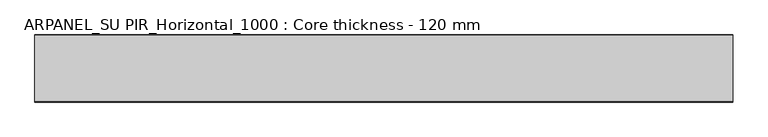
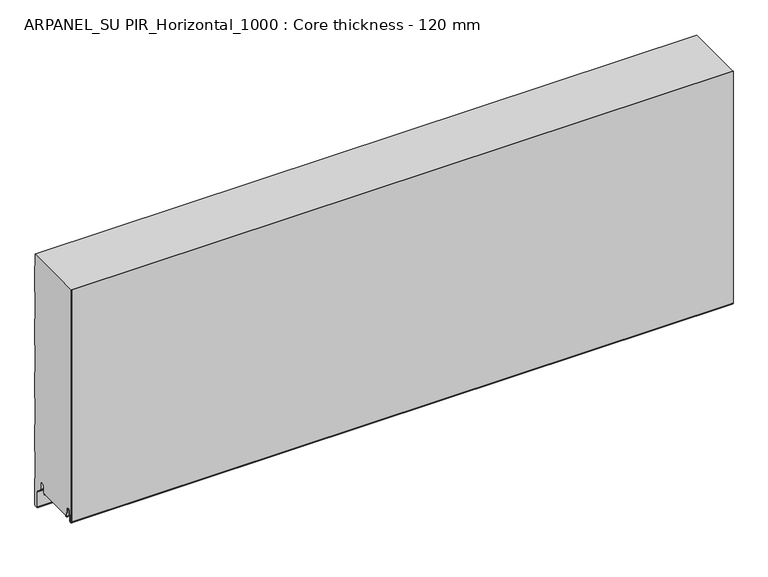
"""IFC4 building model written with IfcOpenShell, lengths in millimetres: plate geometry, ARPANEL_SU PIR_Horizontal_1000 : Core thickness - 120 mm."""

from ifc_helpers import new_model, si_unit, frame, origin, place, context, project, spatial, polyline, circle_curve, source, transform, mapped, element, save
from ifc_brep_helpers import plane_surface, cylinder_surface, revolved_surface, advanced_brep


def arpanel_su_pir_horizontal_1000_core_thickness_120_mm_503c2ee2(model_context):
    return source(origin(), model_context, "Body", "AdvancedBrep", [
        advanced_brep(
        [(620.0, -119.9996949, 40.1048196), (620.0, -113.81449, 39.8022656), (620.0, -112.197116, 56.2975213), (620.0, -109.1776715, 59.0045826), (620.0, -106.1582271, 56.2975213), (620.0, -104.7725998, 42.165801), (620.0, -100.3830995, 42.3804834), (620.0, -101.1830995, 42.3804834), (620.0, -103.9764178, 42.2438674), (620.0, -105.3620451, 56.3755876), (620.0, -109.1776715, 59.8046226), (620.0, -112.9932979, 56.3755876), (620.0, -114.6106719, 39.8803319), (620.0, -119.1996949, 40.1047726), (620.0, -119.2, 500.0), (620.0, -119.9996949, 500.0), (-620.0, -119.1996949, 40.1047726), (-620.0, -114.6106719, 39.8803319), (-620.0, -112.9932979, 56.3755876), (-620.0, -109.1776715, 59.8046226), (-620.0, -105.3620451, 56.3755876), (-620.0, -103.9764178, 42.2438674), (-620.0, -101.1830995, 42.3804834), (-620.0, -100.3830995, 42.3804834), (-620.0, -104.7725998, 42.165801), (-620.0, -106.1582271, 56.2975213), (-620.0, -109.1776715, 59.0045826), (-620.0, -112.197116, 56.2975213), (-620.0, -113.81449, 39.8022656), (-620.0, -119.9996949, 40.1048196), (-620.0, -119.9996949, 500.0), (-620.0, -119.2, 500.0)],
        [
            (0, 1, circle_curve(frame((620.0, -116.8996949, 40.1047726), z_axis=(1.0, 0.0, 0.0), x_axis=(0.0, 0.0, -1.0)), 3.1)),
            (1, 2),
            (2, 3, circle_curve(frame((620.0, -109.2114338, 56.0047726), z_axis=(-1.0, 0.0, 0.0), x_axis=(0.0, 0.0, -1.0)), 3.0)),
            (3, 4, circle_curve(frame((620.0, -109.1439093, 56.0047726), z_axis=(-1.0, 0.0, 0.0), x_axis=(0.0, 0.0, -1.0)), 3.0)),
            (4, 5),
            (5, 6, circle_curve(frame((620.0, -102.5830995, 42.3804834), z_axis=(1.0, 0.0, 0.0), x_axis=(0.0, 0.0, -1.0)), 2.2)),
            (6, 7),
            (7, 8, circle_curve(frame((620.0, -102.5830995, 42.3804834), z_axis=(-1.0, 0.0, 0.0), x_axis=(0.0, 0.0, -1.0)), 1.4)),
            (8, 9),
            (9, 10, circle_curve(frame((620.0, -109.1439093, 56.0047726), z_axis=(1.0, 0.0, 0.0), x_axis=(0.0, 0.0, -1.0)), 3.8)),
            (10, 11, circle_curve(frame((620.0, -109.2114338, 56.0047726), z_axis=(1.0, 0.0, 0.0), x_axis=(0.0, 0.0, -1.0)), 3.8)),
            (11, 12),
            (12, 13, circle_curve(frame((620.0, -116.8996949, 40.1047726), z_axis=(-1.0, 0.0, 0.0), x_axis=(0.0, 0.0, -1.0)), 2.3)),
            (13, 14),
            (14, 15),
            (15, 0),
            (16, 17, circle_curve(frame((-620.0, -116.8996949, 40.1047726), z_axis=(1.0, 0.0, 0.0), x_axis=(0.0, 0.0, -1.0)), 2.3)),
            (17, 18),
            (18, 19, circle_curve(frame((-620.0, -109.2114338, 56.0047726), z_axis=(-1.0, 0.0, 0.0), x_axis=(0.0, 0.0, -1.0)), 3.8)),
            (19, 20, circle_curve(frame((-620.0, -109.1439093, 56.0047726), z_axis=(-1.0, 0.0, 0.0), x_axis=(0.0, 0.0, -1.0)), 3.8)),
            (20, 21),
            (21, 22, circle_curve(frame((-620.0, -102.5830995, 42.3804834), z_axis=(1.0, 0.0, 0.0), x_axis=(0.0, 0.0, -1.0)), 1.4)),
            (22, 23),
            (23, 24, circle_curve(frame((-620.0, -102.5830995, 42.3804834), z_axis=(-1.0, 0.0, 0.0), x_axis=(0.0, 0.0, -1.0)), 2.2)),
            (24, 25),
            (25, 26, circle_curve(frame((-620.0, -109.1439093, 56.0047726), z_axis=(1.0, 0.0, 0.0), x_axis=(0.0, 0.0, -1.0)), 3.0)),
            (26, 27, circle_curve(frame((-620.0, -109.2114338, 56.0047726), z_axis=(1.0, 0.0, 0.0), x_axis=(0.0, 0.0, -1.0)), 3.0)),
            (27, 28),
            (28, 29, circle_curve(frame((-620.0, -116.8996949, 40.1047726), z_axis=(-1.0, 0.0, 0.0), x_axis=(0.0, 0.0, -1.0)), 3.1)),
            (29, 30),
            (30, 31),
            (31, 16),
            (13, 16),
            (31, 14),
            (29, 0),
            (15, 30),
            (12, 17),
            (11, 18),
            (10, 19),
            (9, 20),
            (8, 21),
            (7, 22),
            (6, 23),
            (5, 24),
            (4, 25),
            (3, 26),
            (2, 27),
            (1, 28),
        ],
        [
            plane_surface(frame((620.0, -120.0, 0.0), z_axis=(1.0, 0.0, 0.0), x_axis=(0.0, 1.0, 0.0))),
            plane_surface(frame((-620.0, -120.0, 0.0), z_axis=(-1.0, 0.0, 0.0), x_axis=(0.0, 1.0, 0.0))),
            plane_surface(frame((620.0, -119.2, 40.1047726), z_axis=(0.0, 1.0, 0.0), x_axis=(-1.0, 0.0, 0.0))),
            plane_surface(frame((620.0, -119.9996949, 1030.8000005), z_axis=(0.0, -1.0, 0.0), x_axis=(-1.0, 0.0, 0.0))),
            revolved_surface(polyline([(-620.0, -116.8996949, 37.8047726), (620.0, -116.8996949, 37.8047726)]), (620.0, -116.8996949, 40.1047726), (-1.0, 0.0, 0.0)),
            plane_surface(frame((620.0, -112.9932979, 56.3755876), z_axis=(0.0, -0.9952273999818314, 0.09758289975914787), x_axis=(-1.0, 0.0, 0.0))),
            cylinder_surface(frame((620.0, -109.2114338, 56.0047726), z_axis=(1.0, 0.0, 0.0), x_axis=(0.0, 0.0, -1.0)), 3.8),
            cylinder_surface(frame((620.0, -109.1439093, 56.0047726), z_axis=(1.0, 0.0, 0.0), x_axis=(0.0, 0.0, -1.0)), 3.8),
            plane_surface(frame((620.0, -103.9764178, 42.2438674), z_axis=(0.0, 0.9952273999818297, 0.09758289975916531), x_axis=(-1.0, 0.0, 0.0))),
            revolved_surface(polyline([(-620.0, -102.5830995, 40.980483400000004), (620.0, -102.5830995, 40.980483400000004)]), (620.0, -102.5830995, 42.3804834), (-1.0, 0.0, 0.0)),
            plane_surface(frame((620.0, -100.3830995, 42.3804834), z_axis=(0.0, 0.0, 1.0), x_axis=(-1.0, 0.0, 0.0))),
            cylinder_surface(frame((620.0, -102.5830995, 42.3804834), z_axis=(1.0, 0.0, 0.0), x_axis=(0.0, 0.0, -1.0)), 2.2),
            plane_surface(frame((620.0, -106.1582271, 56.2975213), z_axis=(0.0, -0.9952273999818296, -0.09758289975916527), x_axis=(-1.0, 0.0, 0.0))),
            revolved_surface(polyline([(-620.0, -109.1439093, 53.0047726), (620.0, -109.1439093, 53.0047726)]), (620.0, -109.1439093, 56.0047726), (-1.0, 0.0, 0.0)),
            revolved_surface(polyline([(-620.0, -109.2114338, 53.0047726), (620.0, -109.2114338, 53.0047726)]), (620.0, -109.2114338, 56.0047726), (-1.0, 0.0, 0.0)),
            plane_surface(frame((620.0, -113.81449, 39.8022656), z_axis=(0.0, 0.9952273999818314, -0.09758289975914787), x_axis=(-1.0, 0.0, 0.0))),
            cylinder_surface(frame((620.0, -116.8996949, 40.1047726), z_axis=(1.0, 0.0, 0.0), x_axis=(0.0, 0.0, -1.0)), 3.1),
            plane_surface(frame((-620.0, 134.0533409, 500.0), z_axis=(0.0, 0.0, 1.0), x_axis=(1.0, 0.0, 0.0))),
        ],
        [
            (0, [[1, 2, 3, 4, 5, 6, 7, 8, 9, 10, 11, 12, 13, 14, 15, 16]]),
            (1, [[17, 18, 19, 20, 21, 22, 23, 24, 25, 26, 27, 28, 29, 30, 31, 32]]),
            (2, [[33, -32, 34, -14]]),
            (3, [[35, -16, 36, -30]]),
            (4, [[-13, 37, -17, -33]]),
            (5, [[-12, 38, -18, -37]]),
            (6, [[-11, 39, -19, -38]]),
            (7, [[-10, 40, -20, -39]]),
            (8, [[-9, 41, -21, -40]]),
            (9, [[-8, 42, -22, -41]]),
            (10, [[-7, 43, -23, -42]]),
            (11, [[-6, 44, -24, -43]]),
            (12, [[-5, 45, -25, -44]]),
            (13, [[-4, 46, -26, -45]]),
            (14, [[-3, 47, -27, -46]]),
            (15, [[-2, 48, -28, -47]]),
            (16, [[-1, -35, -29, -48]]),
            (17, [[-15, -34, -31, -36]]),
        ],
    ),
        advanced_brep(
        [(620.0, -34.0468325, 41.6703125), (620.0, -34.1991613, 42.1885183), (620.0, -34.6332818, 44.6505377), (620.0, -33.8454356, 44.7894563), (620.0, -33.4113151, 42.3274369), (620.0, -30.1822811, 42.4684196), (620.0, -28.9698453, 56.3266239), (620.0, -25.1843055, 59.7954321), (620.0, -23.0, 59.7954321), (620.0, -19.2, 55.9954321), (620.0, -19.2, 43.8723898), (620.0, -17.5667978, 40.7350375), (620.0, -11.2468331, 36.3097506), (620.0, -9.2, 32.3778208), (620.0, -9.2, 2.6273641), (620.0, -7.37, 0.7973641), (620.0, -2.63, 0.7973641), (620.0, -0.8, 2.6273641), (620.0, -0.8, 54.1944521), (620.0, -1.0986697, 55.2458679), (620.0, -1.5003051, 56.6662489), (620.0, -1.5003051, 106.8260321), (620.0, -1.0971009, 108.2454435), (620.0, -0.8, 109.2978289), (620.0, -0.8, 159.4576121), (620.0, -1.0986697, 160.5090279), (620.0, -1.5003051, 161.9294089), (620.0, -1.5003051, 212.0891921), (620.0, -1.0971009, 213.5086035), (620.0, -0.8, 214.5609889), (620.0, -0.8, 264.7207721), (620.0, -1.0986697, 265.7721879), (620.0, -1.5003051, 267.1925689), (620.0, -1.5003051, 317.3523521), (620.0, -1.0971009, 318.7717635), (620.0, -0.8, 319.8241489), (620.0, -0.8, 369.9839321), (620.0, -1.0986697, 371.0353479), (620.0, -1.5003051, 372.4557289), (620.0, -1.5003051, 422.6155121), (620.0, -1.0971009, 424.0349235), (620.0, -0.8, 425.0873089), (620.0, -0.8, 475.2470921), (620.0, -1.0986697, 476.2985079), (620.0, -1.5003051, 477.7188889), (620.0, -1.5003051, 500.0), (620.0, -119.2, 500.0), (620.0, -119.2, 40.1047726), (620.0, -114.6106719, 39.8803319), (620.0, -112.9932979, 56.3755876), (620.0, -109.1776715, 59.8046226), (620.0, -105.3620451, 56.3755876), (620.0, -103.9764178, 42.2438674), (620.0, -101.1830995, 42.3804834), (620.0, -100.3830995, 42.3804834), (620.0, -100.5008754, 41.6703125), (-620.0, -34.1991613, 42.1885183), (-620.0, -34.0468325, 41.6703125), (-620.0, -100.5008754, 41.6703125), (-620.0, -100.3830995, 42.3804834), (-620.0, -101.1830995, 42.3804834), (-620.0, -103.9764178, 42.2438674), (-620.0, -105.3620451, 56.3755876), (-620.0, -109.1776715, 59.8046226), (-620.0, -112.9932979, 56.3755876), (-620.0, -114.6106719, 39.8803319), (-620.0, -119.1996949, 40.1047726), (-620.0, -119.2, 500.0), (-620.0, -1.5003051, 500.0), (-620.0, -1.5003051, 477.7188889), (-620.0, -1.0971009, 476.2994775), (-620.0, -0.8, 475.2470921), (-620.0, -0.8, 425.0873089), (-620.0, -1.0986697, 424.035893), (-620.0, -1.5003051, 422.6155121), (-620.0, -1.5003051, 372.4557289), (-620.0, -1.0971009, 371.0363175), (-620.0, -0.8, 369.9839321), (-620.0, -0.8, 319.8241489), (-620.0, -1.0986697, 318.772733), (-620.0, -1.5003051, 317.3523521), (-620.0, -1.5003051, 267.1925689), (-620.0, -1.0971009, 265.7731575), (-620.0, -0.8, 264.7207721), (-620.0, -0.8, 214.5609889), (-620.0, -1.0986697, 213.509573), (-620.0, -1.5003051, 212.0891921), (-620.0, -1.5003051, 161.9294089), (-620.0, -1.0971009, 160.5099975), (-620.0, -0.8, 159.4576121), (-620.0, -0.8, 109.2978289), (-620.0, -1.0986697, 108.246413), (-620.0, -1.5003051, 106.8260321), (-620.0, -1.5003051, 56.6662489), (-620.0, -1.0971009, 55.2468375), (-620.0, -0.8, 54.1944521), (-620.0, -0.8, 2.6273641), (-620.0, -2.63, 0.7973641), (-620.0, -7.37, 0.7973641), (-620.0, -9.2, 2.6273641), (-620.0, -9.2, 32.3778208), (-620.0, -11.2468331, 36.3097506), (-620.0, -17.5667978, 40.7350375), (-620.0, -19.2, 43.8723898), (-620.0, -19.2, 55.9954321), (-620.0, -23.0, 59.7954321), (-620.0, -25.1843055, 59.7954321), (-620.0, -28.9698453, 56.3266239), (-620.0, -30.1822811, 42.4684196), (-620.0, -33.4113151, 42.3274369), (-620.0, -33.8454356, 44.7894563), (-620.0, -34.6332818, 44.6505377)],
        [
            (0, 1, circle_curve(frame((620.0, -31.8060785, 42.6104834), z_axis=(-1.0, 0.0, 0.0), x_axis=(0.0, 0.0, -1.0)), 2.43)),
            (1, 2),
            (2, 3),
            (3, 4),
            (4, 5, circle_curve(frame((620.0, -31.8060785, 42.6104834), z_axis=(1.0, 0.0, 0.0), x_axis=(0.0, 0.0, -1.0)), 1.63)),
            (5, 6),
            (6, 7, circle_curve(frame((620.0, -25.1843055, 55.9954321), z_axis=(-1.0, 0.0, 0.0), x_axis=(0.0, 0.0, -1.0)), 3.8)),
            (7, 8),
            (8, 9, circle_curve(frame((620.0, -23.0, 55.9954321), z_axis=(-1.0, 0.0, 0.0), x_axis=(0.0, 0.0, -1.0)), 3.8)),
            (9, 10),
            (10, 11, circle_curve(frame((620.0, -15.37, 43.8723898), z_axis=(1.0, 0.0, 0.0), x_axis=(0.0, 0.0, -1.0)), 3.83)),
            (11, 12),
            (12, 13, circle_curve(frame((620.0, -14.0, 32.3778208), z_axis=(-1.0, 0.0, 0.0), x_axis=(0.0, 0.0, -1.0)), 4.8)),
            (13, 14),
            (14, 15, circle_curve(frame((620.0, -7.37, 2.6273641), z_axis=(1.0, 0.0, 0.0), x_axis=(0.0, 0.0, -1.0)), 1.83)),
            (15, 16),
            (16, 17, circle_curve(frame((620.0, -2.63, 2.6273641), z_axis=(1.0, 0.0, 0.0), x_axis=(0.0, 0.0, -1.0)), 1.83)),
            (17, 18),
            (18, 19, circle_curve(frame((620.0, -2.8, 54.1944521), z_axis=(1.0, 0.0, 0.0), x_axis=(0.0, 0.0, -1.0)), 2.0)),
            (19, 20, circle_curve(frame((620.0, 1.1996949, 56.6662489), z_axis=(-1.0, 0.0, 0.0), x_axis=(0.0, 0.0, -1.0)), 2.7)),
            (20, 21),
            (21, 22, circle_curve(frame((620.0, 1.1996949, 106.8260321), z_axis=(-1.0, 0.0, 0.0), x_axis=(0.0, 0.0, -1.0)), 2.7)),
            (22, 23, circle_curve(frame((620.0, -2.8, 109.2978289), z_axis=(1.0, 0.0, 0.0), x_axis=(0.0, 0.0, -1.0)), 2.0)),
            (23, 24),
            (24, 25, circle_curve(frame((620.0, -2.8, 159.4576121), z_axis=(1.0, 0.0, 0.0), x_axis=(0.0, 0.0, -1.0)), 2.0)),
            (25, 26, circle_curve(frame((620.0, 1.1996949, 161.9294089), z_axis=(-1.0, 0.0, 0.0), x_axis=(0.0, 0.0, -1.0)), 2.7)),
            (26, 27),
            (27, 28, circle_curve(frame((620.0, 1.1996949, 212.0891921), z_axis=(-1.0, 0.0, 0.0), x_axis=(0.0, 0.0, -1.0)), 2.7)),
            (28, 29, circle_curve(frame((620.0, -2.8, 214.5609889), z_axis=(1.0, 0.0, 0.0), x_axis=(0.0, 0.0, -1.0)), 2.0)),
            (29, 30),
            (30, 31, circle_curve(frame((620.0, -2.8, 264.7207721), z_axis=(1.0, 0.0, 0.0), x_axis=(0.0, 0.0, -1.0)), 2.0)),
            (31, 32, circle_curve(frame((620.0, 1.1996949, 267.1925689), z_axis=(-1.0, 0.0, 0.0), x_axis=(0.0, 0.0, -1.0)), 2.7)),
            (32, 33),
            (33, 34, circle_curve(frame((620.0, 1.1996949, 317.3523521), z_axis=(-1.0, 0.0, 0.0), x_axis=(0.0, 0.0, -1.0)), 2.7)),
            (34, 35, circle_curve(frame((620.0, -2.8, 319.8241489), z_axis=(1.0, 0.0, 0.0), x_axis=(0.0, 0.0, -1.0)), 2.0)),
            (35, 36),
            (36, 37, circle_curve(frame((620.0, -2.8, 369.9839321), z_axis=(1.0, 0.0, 0.0), x_axis=(0.0, 0.0, -1.0)), 2.0)),
            (37, 38, circle_curve(frame((620.0, 1.1996949, 372.4557289), z_axis=(-1.0, 0.0, 0.0), x_axis=(0.0, 0.0, -1.0)), 2.7)),
            (38, 39),
            (39, 40, circle_curve(frame((620.0, 1.1996949, 422.6155121), z_axis=(-1.0, 0.0, 0.0), x_axis=(0.0, 0.0, -1.0)), 2.7)),
            (40, 41, circle_curve(frame((620.0, -2.8, 425.0873089), z_axis=(1.0, 0.0, 0.0), x_axis=(0.0, 0.0, -1.0)), 2.0)),
            (41, 42),
            (42, 43, circle_curve(frame((620.0, -2.8, 475.2470921), z_axis=(1.0, 0.0, 0.0), x_axis=(0.0, 0.0, -1.0)), 2.0)),
            (43, 44, circle_curve(frame((620.0, 1.1996949, 477.7188889), z_axis=(-1.0, 0.0, 0.0), x_axis=(0.0, 0.0, -1.0)), 2.7)),
            (44, 45),
            (45, 46),
            (46, 47),
            (47, 48, circle_curve(frame((620.0, -116.8996949, 40.1047726), z_axis=(1.0, 0.0, 0.0), x_axis=(0.0, 0.0, -1.0)), 2.3)),
            (48, 49),
            (49, 50, circle_curve(frame((620.0, -109.2114338, 56.0047726), z_axis=(-1.0, 0.0, 0.0), x_axis=(0.0, 0.0, -1.0)), 3.8)),
            (50, 51, circle_curve(frame((620.0, -109.1439093, 56.0047726), z_axis=(-1.0, 0.0, 0.0), x_axis=(0.0, 0.0, -1.0)), 3.8)),
            (51, 52),
            (52, 53, circle_curve(frame((620.0, -102.5830995, 42.3804834), z_axis=(1.0, 0.0, 0.0), x_axis=(0.0, 0.0, -1.0)), 1.4)),
            (53, 54),
            (54, 55, circle_curve(frame((620.0, -102.5830995, 42.3804834), z_axis=(-1.0, 0.0, 0.0), x_axis=(0.0, 0.0, -1.0)), 2.2)),
            (55, 0),
            (56, 57, circle_curve(frame((-620.0, -31.8060785, 42.6104834), z_axis=(1.0, 0.0, 0.0), x_axis=(0.0, 0.0, -1.0)), 2.43)),
            (57, 58),
            (58, 59, circle_curve(frame((-620.0, -102.5830995, 42.3804834), z_axis=(1.0, 0.0, 0.0), x_axis=(0.0, 0.0, -1.0)), 2.2)),
            (59, 60),
            (60, 61, circle_curve(frame((-620.0, -102.5830995, 42.3804834), z_axis=(-1.0, 0.0, 0.0), x_axis=(0.0, 0.0, -1.0)), 1.4)),
            (61, 62),
            (62, 63, circle_curve(frame((-620.0, -109.1439093, 56.0047726), z_axis=(1.0, 0.0, 0.0), x_axis=(0.0, 0.0, -1.0)), 3.8)),
            (63, 64, circle_curve(frame((-620.0, -109.2114338, 56.0047726), z_axis=(1.0, 0.0, 0.0), x_axis=(0.0, 0.0, -1.0)), 3.8)),
            (64, 65),
            (65, 66, circle_curve(frame((-620.0, -116.8996949, 40.1047726), z_axis=(-1.0, 0.0, 0.0), x_axis=(0.0, 0.0, -1.0)), 2.3)),
            (66, 67),
            (67, 68),
            (68, 69),
            (69, 70, circle_curve(frame((-620.0, 1.1996949, 477.7188889), z_axis=(1.0, 0.0, 0.0), x_axis=(0.0, 0.0, -1.0)), 2.7)),
            (70, 71, circle_curve(frame((-620.0, -2.8, 475.2470921), z_axis=(-1.0, 0.0, 0.0), x_axis=(0.0, 0.0, -1.0)), 2.0)),
            (71, 72),
            (72, 73, circle_curve(frame((-620.0, -2.8, 425.0873089), z_axis=(-1.0, 0.0, 0.0), x_axis=(0.0, 0.0, -1.0)), 2.0)),
            (73, 74, circle_curve(frame((-620.0, 1.1996949, 422.6155121), z_axis=(1.0, 0.0, 0.0), x_axis=(0.0, 0.0, -1.0)), 2.7)),
            (74, 75),
            (75, 76, circle_curve(frame((-620.0, 1.1996949, 372.4557289), z_axis=(1.0, 0.0, 0.0), x_axis=(0.0, 0.0, -1.0)), 2.7)),
            (76, 77, circle_curve(frame((-620.0, -2.8, 369.9839321), z_axis=(-1.0, 0.0, 0.0), x_axis=(0.0, 0.0, -1.0)), 2.0)),
            (77, 78),
            (78, 79, circle_curve(frame((-620.0, -2.8, 319.8241489), z_axis=(-1.0, 0.0, 0.0), x_axis=(0.0, 0.0, -1.0)), 2.0)),
            (79, 80, circle_curve(frame((-620.0, 1.1996949, 317.3523521), z_axis=(1.0, 0.0, 0.0), x_axis=(0.0, 0.0, -1.0)), 2.7)),
            (80, 81),
            (81, 82, circle_curve(frame((-620.0, 1.1996949, 267.1925689), z_axis=(1.0, 0.0, 0.0), x_axis=(0.0, 0.0, -1.0)), 2.7)),
            (82, 83, circle_curve(frame((-620.0, -2.8, 264.7207721), z_axis=(-1.0, 0.0, 0.0), x_axis=(0.0, 0.0, -1.0)), 2.0)),
            (83, 84),
            (84, 85, circle_curve(frame((-620.0, -2.8, 214.5609889), z_axis=(-1.0, 0.0, 0.0), x_axis=(0.0, 0.0, -1.0)), 2.0)),
            (85, 86, circle_curve(frame((-620.0, 1.1996949, 212.0891921), z_axis=(1.0, 0.0, 0.0), x_axis=(0.0, 0.0, -1.0)), 2.7)),
            (86, 87),
            (87, 88, circle_curve(frame((-620.0, 1.1996949, 161.9294089), z_axis=(1.0, 0.0, 0.0), x_axis=(0.0, 0.0, -1.0)), 2.7)),
            (88, 89, circle_curve(frame((-620.0, -2.8, 159.4576121), z_axis=(-1.0, 0.0, 0.0), x_axis=(0.0, 0.0, -1.0)), 2.0)),
            (89, 90),
            (90, 91, circle_curve(frame((-620.0, -2.8, 109.2978289), z_axis=(-1.0, 0.0, 0.0), x_axis=(0.0, 0.0, -1.0)), 2.0)),
            (91, 92, circle_curve(frame((-620.0, 1.1996949, 106.8260321), z_axis=(1.0, 0.0, 0.0), x_axis=(0.0, 0.0, -1.0)), 2.7)),
            (92, 93),
            (93, 94, circle_curve(frame((-620.0, 1.1996949, 56.6662489), z_axis=(1.0, 0.0, 0.0), x_axis=(0.0, 0.0, -1.0)), 2.7)),
            (94, 95, circle_curve(frame((-620.0, -2.8, 54.1944521), z_axis=(-1.0, 0.0, 0.0), x_axis=(0.0, 0.0, -1.0)), 2.0)),
            (95, 96),
            (96, 97, circle_curve(frame((-620.0, -2.63, 2.6273641), z_axis=(-1.0, 0.0, 0.0), x_axis=(0.0, 0.0, -1.0)), 1.83)),
            (97, 98),
            (98, 99, circle_curve(frame((-620.0, -7.37, 2.6273641), z_axis=(-1.0, 0.0, 0.0), x_axis=(0.0, 0.0, -1.0)), 1.83)),
            (99, 100),
            (100, 101, circle_curve(frame((-620.0, -14.0, 32.3778208), z_axis=(1.0, 0.0, 0.0), x_axis=(0.0, 0.0, -1.0)), 4.8)),
            (101, 102),
            (102, 103, circle_curve(frame((-620.0, -15.37, 43.8723898), z_axis=(-1.0, 0.0, 0.0), x_axis=(0.0, 0.0, -1.0)), 3.83)),
            (103, 104),
            (104, 105, circle_curve(frame((-620.0, -23.0, 55.9954321), z_axis=(1.0, 0.0, 0.0), x_axis=(0.0, 0.0, -1.0)), 3.8)),
            (105, 106),
            (106, 107, circle_curve(frame((-620.0, -25.1843055, 55.9954321), z_axis=(1.0, 0.0, 0.0), x_axis=(0.0, 0.0, -1.0)), 3.8)),
            (107, 108),
            (108, 109, circle_curve(frame((-620.0, -31.8060785, 42.6104834), z_axis=(-1.0, 0.0, 0.0), x_axis=(0.0, 0.0, -1.0)), 1.63)),
            (109, 110),
            (110, 111),
            (111, 56),
            (57, 0),
            (55, 58),
            (66, 47),
            (46, 67),
            (65, 48),
            (64, 49),
            (63, 50),
            (62, 51),
            (61, 52),
            (60, 53),
            (59, 54),
            (45, 68),
            (56, 1),
            (111, 2),
            (110, 3),
            (109, 4),
            (108, 5),
            (107, 6),
            (106, 7),
            (105, 8),
            (104, 9),
            (103, 10),
            (102, 11),
            (101, 12),
            (100, 13),
            (99, 14),
            (98, 15),
            (97, 16),
            (96, 17),
            (95, 18),
            (94, 19),
            (93, 20),
            (92, 21),
            (91, 22),
            (90, 23),
            (89, 24),
            (88, 25),
            (87, 26),
            (86, 27),
            (85, 28),
            (84, 29),
            (83, 30),
            (82, 31),
            (81, 32),
            (80, 33),
            (79, 34),
            (78, 35),
            (77, 36),
            (76, 37),
            (75, 38),
            (74, 39),
            (73, 40),
            (72, 41),
            (71, 42),
            (70, 43),
            (69, 44),
        ],
        [
            plane_surface(frame((620.0, 0.0, 0.0), z_axis=(1.0, 0.0, 0.0), x_axis=(0.0, -1.0, 0.0))),
            plane_surface(frame((-620.0, 0.0, 0.0), z_axis=(-1.0, 0.0, 0.0), x_axis=(0.0, -1.0, 0.0))),
            plane_surface(frame((620.0, -101.0, 41.6703125), z_axis=(0.0, 0.0, -1.0), x_axis=(-1.0, 0.0, 0.0))),
            plane_surface(frame((750.0, -119.2, 40.1047726), z_axis=(0.0, -1.0, 0.0), x_axis=(-1.0, 0.0, 0.0))),
            cylinder_surface(frame((750.0, -116.8996949, 40.1047726), z_axis=(-1.0, 0.0, 0.0), x_axis=(0.0, 0.0, -1.0)), 2.3),
            plane_surface(frame((750.0, -112.9932979, 56.3755876), z_axis=(0.0, 0.9952273999818314, -0.09758289975914787), x_axis=(-1.0, 0.0, 0.0))),
            revolved_surface(polyline([(620.0, -109.2114338, 52.204772600000005), (-620.0, -109.2114338, 52.204772600000005)]), (750.0, -109.2114338, 56.0047726), (1.0, 0.0, 0.0)),
            revolved_surface(polyline([(620.0, -109.1439093, 52.204772600000005), (-620.0, -109.1439093, 52.204772600000005)]), (750.0, -109.1439093, 56.0047726), (1.0, 0.0, 0.0)),
            plane_surface(frame((750.0, -103.9764178, 42.2438674), z_axis=(0.0, -0.9952273999818297, -0.09758289975916531), x_axis=(-1.0, 0.0, 0.0))),
            cylinder_surface(frame((750.0, -102.5830995, 42.3804834), z_axis=(-1.0, 0.0, 0.0), x_axis=(0.0, 0.0, -1.0)), 1.4),
            plane_surface(frame((750.0, -100.3830995, 42.3804834), z_axis=(0.0, 0.0, -1.0), x_axis=(-1.0, 0.0, 0.0))),
            revolved_surface(polyline([(620.0, -102.5830995, 40.1804834), (-620.0, -102.5830995, 40.1804834)]), (750.0, -102.5830995, 42.3804834), (1.0, 0.0, 0.0)),
            plane_surface(frame((-620.0, 134.0533409, 500.0), z_axis=(0.0, 0.0, 1.0), x_axis=(1.0, 0.0, 0.0))),
            revolved_surface(polyline([(620.0, -31.8060785, 40.1804834), (-620.0, -31.8060785, 40.1804834)]), (750.0, -31.8060785, 42.6104834), (1.0, 0.0, 0.0)),
            plane_surface(frame((750.0, -34.6332818, 44.6505377), z_axis=(0.0, 0.9848077530122206, 0.1736481776668594), x_axis=(-1.0, 0.0, 0.0))),
            plane_surface(frame((750.0, -33.8454356, 44.7894563), z_axis=(0.0, 0.17364817766684099, -0.9848077530122239), x_axis=(-1.0, 0.0, 0.0))),
            plane_surface(frame((750.0, -33.4113151, 42.3274369), z_axis=(0.0, -0.9848077530122203, -0.17364817766686078), x_axis=(-1.0, 0.0, 0.0))),
            cylinder_surface(frame((750.0, -31.8060785, 42.6104834), z_axis=(-1.0, 0.0, 0.0), x_axis=(0.0, 0.0, -1.0)), 1.63),
            plane_surface(frame((750.0, -28.9698453, 56.3266239), z_axis=(0.0, 0.996194698091768, -0.08715574274740188), x_axis=(-1.0, 0.0, 0.0))),
            revolved_surface(polyline([(620.0, -25.1843055, 52.195432100000005), (-620.0, -25.1843055, 52.195432100000005)]), (750.0, -25.1843055, 55.9954321), (1.0, 0.0, 0.0)),
            plane_surface(frame((750.0, -23.0, 59.7954321), z_axis=(0.0, 0.0, -1.0), x_axis=(-1.0, 0.0, 0.0))),
            revolved_surface(polyline([(620.0, -23.0, 52.195432100000005), (-620.0, -23.0, 52.195432100000005)]), (750.0, -23.0, 55.9954321), (1.0, 0.0, 0.0)),
            plane_surface(frame((750.0, -19.2, 43.8723898), z_axis=(0.0, -1.0, 0.0), x_axis=(-1.0, 0.0, 0.0))),
            cylinder_surface(frame((750.0, -15.37, 43.8723898), z_axis=(-1.0, 0.0, 0.0), x_axis=(0.0, 0.0, -1.0)), 3.83),
            plane_surface(frame((750.0, -11.2468331, 36.3097506), z_axis=(0.0, -0.5735764363510797, -0.8191520442889684), x_axis=(-1.0, 0.0, 0.0))),
            revolved_surface(polyline([(620.0, -14.0, 27.5778208), (-620.0, -14.0, 27.5778208)]), (750.0, -14.0, 32.3778208), (1.0, 0.0, 0.0)),
            plane_surface(frame((750.0, -9.2, 2.6273641), z_axis=(0.0, -1.0, 0.0), x_axis=(-1.0, 0.0, 0.0))),
            cylinder_surface(frame((750.0, -7.37, 2.6273641), z_axis=(-1.0, 0.0, 0.0), x_axis=(0.0, 0.0, -1.0)), 1.83),
            plane_surface(frame((750.0, -2.63, 0.7973641), z_axis=(0.0, 0.0, -1.0), x_axis=(-1.0, 0.0, 0.0))),
            cylinder_surface(frame((750.0, -2.63, 2.6273641), z_axis=(-1.0, 0.0, 0.0), x_axis=(0.0, 0.0, -1.0)), 1.83),
            plane_surface(frame((750.0, -0.8, 54.1944521), z_axis=(0.0, 1.0, 0.0), x_axis=(-1.0, 0.0, 0.0))),
            cylinder_surface(frame((750.0, -2.8, 54.1944521), z_axis=(-1.0, 0.0, 0.0), x_axis=(0.0, 0.0, -1.0)), 2.0),
            revolved_surface(polyline([(620.0, 1.1996949, 53.9662489), (-620.0, 1.1996949, 53.9662489)]), (750.0, 1.1996949, 56.6662489), (1.0, 0.0, 0.0)),
            plane_surface(frame((750.0, -1.5003051, 106.8260321), z_axis=(0.0, 1.0, 0.0), x_axis=(-1.0, 0.0, 0.0))),
            revolved_surface(polyline([(620.0, 1.1996949, 104.1260321), (-620.0, 1.1996949, 104.1260321)]), (750.0, 1.1996949, 106.8260321), (1.0, 0.0, 0.0)),
            cylinder_surface(frame((750.0, -2.8, 109.2978289), z_axis=(-1.0, 0.0, 0.0), x_axis=(0.0, 0.0, -1.0)), 2.0),
            plane_surface(frame((750.0, -0.8, 159.4576121), z_axis=(0.0, 1.0, 0.0), x_axis=(-1.0, 0.0, 0.0))),
            cylinder_surface(frame((750.0, -2.8, 159.4576121), z_axis=(-1.0, 0.0, 0.0), x_axis=(0.0, 0.0, -1.0)), 2.0),
            revolved_surface(polyline([(620.0, 1.1996949, 159.2294089), (-620.0, 1.1996949, 159.2294089)]), (750.0, 1.1996949, 161.9294089), (1.0, 0.0, 0.0)),
            plane_surface(frame((750.0, -1.5003051, 212.0891921), z_axis=(0.0, 1.0, 0.0), x_axis=(-1.0, 0.0, 0.0))),
            revolved_surface(polyline([(620.0, 1.1996949, 209.3891921), (-620.0, 1.1996949, 209.3891921)]), (750.0, 1.1996949, 212.0891921), (1.0, 0.0, 0.0)),
            cylinder_surface(frame((750.0, -2.8, 214.5609889), z_axis=(-1.0, 0.0, 0.0), x_axis=(0.0, 0.0, -1.0)), 2.0),
            plane_surface(frame((750.0, -0.8, 264.7207721), z_axis=(0.0, 1.0, 0.0), x_axis=(-1.0, 0.0, 0.0))),
            cylinder_surface(frame((750.0, -2.8, 264.7207721), z_axis=(-1.0, 0.0, 0.0), x_axis=(0.0, 0.0, -1.0)), 2.0),
            revolved_surface(polyline([(620.0, 1.1996949, 264.49256890000004), (-620.0, 1.1996949, 264.49256890000004)]), (750.0, 1.1996949, 267.1925689), (1.0, 0.0, 0.0)),
            plane_surface(frame((750.0, -1.5003051, 317.3523521), z_axis=(0.0, 1.0, 0.0), x_axis=(-1.0, 0.0, 0.0))),
            revolved_surface(polyline([(620.0, 1.1996949, 314.65235210000003), (-620.0, 1.1996949, 314.65235210000003)]), (750.0, 1.1996949, 317.3523521), (1.0, 0.0, 0.0)),
            cylinder_surface(frame((750.0, -2.8, 319.8241489), z_axis=(-1.0, 0.0, 0.0), x_axis=(0.0, 0.0, -1.0)), 2.0),
            plane_surface(frame((750.0, -0.8, 369.9839321), z_axis=(0.0, 1.0, 0.0), x_axis=(-1.0, 0.0, 0.0))),
            cylinder_surface(frame((750.0, -2.8, 369.9839321), z_axis=(-1.0, 0.0, 0.0), x_axis=(0.0, 0.0, -1.0)), 2.0),
            revolved_surface(polyline([(620.0, 1.1996949, 369.7557289), (-620.0, 1.1996949, 369.7557289)]), (750.0, 1.1996949, 372.4557289), (1.0, 0.0, 0.0)),
            plane_surface(frame((750.0, -1.5003051, 422.6155121), z_axis=(0.0, 1.0, 0.0), x_axis=(-1.0, 0.0, 0.0))),
            revolved_surface(polyline([(620.0, 1.1996949, 419.9155121), (-620.0, 1.1996949, 419.9155121)]), (750.0, 1.1996949, 422.6155121), (1.0, 0.0, 0.0)),
            cylinder_surface(frame((750.0, -2.8, 425.0873089), z_axis=(-1.0, 0.0, 0.0), x_axis=(0.0, 0.0, -1.0)), 2.0),
            plane_surface(frame((750.0, -0.8, 475.2470921), z_axis=(0.0, 1.0, 0.0), x_axis=(-1.0, 0.0, 0.0))),
            cylinder_surface(frame((750.0, -2.8, 475.2470921), z_axis=(-1.0, 0.0, 0.0), x_axis=(0.0, 0.0, -1.0)), 2.0),
            revolved_surface(polyline([(620.0, 1.1996949, 475.01888890000004), (-620.0, 1.1996949, 475.01888890000004)]), (750.0, 1.1996949, 477.7188889), (1.0, 0.0, 0.0)),
            plane_surface(frame((750.0, -1.5003051, 527.8786721), z_axis=(0.0, 1.0, 0.0), x_axis=(-1.0, 0.0, 0.0))),
        ],
        [
            (0, [[1, 2, 3, 4, 5, 6, 7, 8, 9, 10, 11, 12, 13, 14, 15, 16, 17, 18, 19, 20, 21, 22, 23, 24, 25, 26, 27, 28, 29, 30, 31, 32, 33, 34, 35, 36, 37, 38, 39, 40, 41, 42, 43, 44, 45, 46, 47, 48, 49, 50, 51, 52, 53, 54, 55, 56]]),
            (1, [[57, 58, 59, 60, 61, 62, 63, 64, 65, 66, 67, 68, 69, 70, 71, 72, 73, 74, 75, 76, 77, 78, 79, 80, 81, 82, 83, 84, 85, 86, 87, 88, 89, 90, 91, 92, 93, 94, 95, 96, 97, 98, 99, 100, 101, 102, 103, 104, 105, 106, 107, 108, 109, 110, 111, 112]]),
            (2, [[113, -56, 114, -58]]),
            (3, [[115, -47, 116, -67]]),
            (4, [[-115, -66, 117, -48]]),
            (5, [[-117, -65, 118, -49]]),
            (6, [[-118, -64, 119, -50]]),
            (7, [[-119, -63, 120, -51]]),
            (8, [[-120, -62, 121, -52]]),
            (9, [[-121, -61, 122, -53]]),
            (10, [[-122, -60, 123, -54]]),
            (11, [[-123, -59, -114, -55]]),
            (12, [[124, -68, -116, -46]]),
            (13, [[125, -1, -113, -57]]),
            (14, [[-125, -112, 126, -2]]),
            (15, [[-126, -111, 127, -3]]),
            (16, [[-127, -110, 128, -4]]),
            (17, [[-128, -109, 129, -5]]),
            (18, [[-129, -108, 130, -6]]),
            (19, [[-130, -107, 131, -7]]),
            (20, [[-131, -106, 132, -8]]),
            (21, [[-132, -105, 133, -9]]),
            (22, [[-133, -104, 134, -10]]),
            (23, [[-134, -103, 135, -11]]),
            (24, [[-135, -102, 136, -12]]),
            (25, [[-136, -101, 137, -13]]),
            (26, [[-137, -100, 138, -14]]),
            (27, [[-138, -99, 139, -15]]),
            (28, [[-139, -98, 140, -16]]),
            (29, [[-140, -97, 141, -17]]),
            (30, [[-141, -96, 142, -18]]),
            (31, [[-142, -95, 143, -19]]),
            (32, [[-143, -94, 144, -20]]),
            (33, [[-144, -93, 145, -21]]),
            (34, [[-145, -92, 146, -22]]),
            (35, [[-146, -91, 147, -23]]),
            (36, [[-147, -90, 148, -24]]),
            (37, [[-148, -89, 149, -25]]),
            (38, [[-149, -88, 150, -26]]),
            (39, [[-150, -87, 151, -27]]),
            (40, [[-151, -86, 152, -28]]),
            (41, [[-152, -85, 153, -29]]),
            (42, [[-153, -84, 154, -30]]),
            (43, [[-154, -83, 155, -31]]),
            (44, [[-155, -82, 156, -32]]),
            (45, [[-156, -81, 157, -33]]),
            (46, [[-157, -80, 158, -34]]),
            (47, [[-158, -79, 159, -35]]),
            (48, [[-159, -78, 160, -36]]),
            (49, [[-160, -77, 161, -37]]),
            (50, [[-161, -76, 162, -38]]),
            (51, [[-162, -75, 163, -39]]),
            (52, [[-163, -74, 164, -40]]),
            (53, [[-164, -73, 165, -41]]),
            (54, [[-165, -72, 166, -42]]),
            (55, [[-166, -71, 167, -43]]),
            (56, [[-167, -70, 168, -44]]),
            (57, [[-168, -69, -124, -45]]),
        ],
    ),
    ])


if __name__ == "__main__":
    model = new_model("IFC4")
    model_context = context("Model", 3, world=origin())
    ifc_project = project(units=[si_unit("LENGTHUNIT", "METRE", prefix="MILLI")], contexts=[model_context])
    site = spatial("IfcSite", under=ifc_project)
    building = spatial("IfcBuilding", under=site)
    placement = place(None, origin())
    arpanel_su_pir_horizontal_1000_core_thickness_120_mm_shape = arpanel_su_pir_horizontal_1000_core_thickness_120_mm_503c2ee2(model_context)
    element("IfcPlate", 1, ObjectType="ARPANEL_SU PIR_Horizontal_1000 : Core thickness - 120 mm", at=placement, inside=building, context=model_context, shape_type="MappedRepresentation", body=[
        mapped(arpanel_su_pir_horizontal_1000_core_thickness_120_mm_shape, transform((0.0, 0.0, 0.0), x_axis=(1.0, 0.0, 0.0), y_axis=(0.0, 1.0, 0.0), z_axis=(0.0, 0.0, 1.0))),
    ])
    save(model, "model.ifc")
